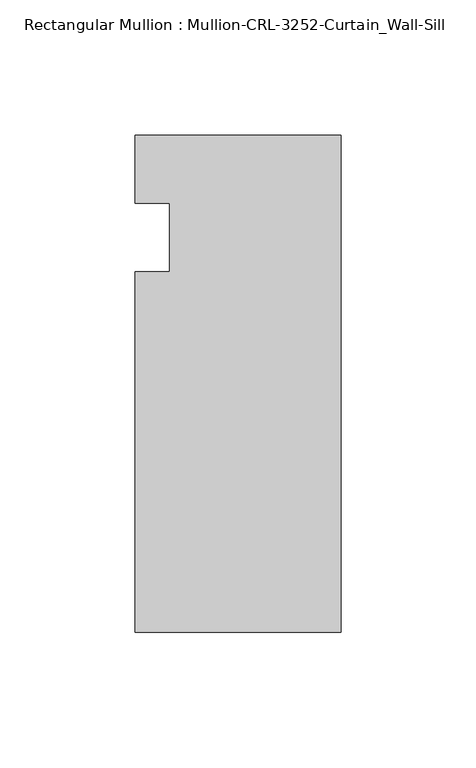
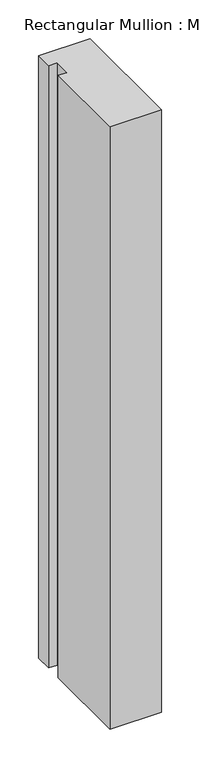
"""IFC4 building model written with IfcOpenShell, lengths in millimetres: member geometry, Rectangular Mullion : Mullion-CRL-3252-Curtain_Wall-Sill."""

from ifc_helpers import new_model, si_unit, frame, origin, place, context, project, spatial, polyline, outline, extrude, source, transform, mapped, element, save


def rectangular_mullion_mullion_crl_3252_curtain_wall_sill_e0222154(model_context):
    return source(origin(), model_context, "Body", "SweptSolid", [
        extrude(outline(polyline([(0.0, 37.8710195), (0.0, -146.0054758), (-76.2018563, -146.0054758), (-76.2018563, -12.7), (-63.4961173, -12.7), (-63.4961173, 12.7), (-76.2018563, 12.7), (-76.2018563, 37.8710195), (0.0, 37.8710195)])), frame((0.0, 0.0, -946.3424921), z_axis=(0.0, 0.0, 1.0), x_axis=(1.0, 0.0, 0.0)), (0.0, 0.0, 1.0), 946.3424921),
    ])


if __name__ == "__main__":
    model = new_model("IFC4")
    model_context = context("Model", 3, world=origin())
    ifc_project = project(units=[si_unit("LENGTHUNIT", "METRE", prefix="MILLI")], contexts=[model_context])
    site = spatial("IfcSite", under=ifc_project)
    building = spatial("IfcBuilding", under=site)
    placement = place(None, origin())
    rectangular_mullion_mullion_crl_3252_curtain_wall_sill_shape = rectangular_mullion_mullion_crl_3252_curtain_wall_sill_e0222154(model_context)
    element("IfcMember", 1, ObjectType="Rectangular Mullion : Mullion-CRL-3252-Curtain_Wall-Sill", at=placement, inside=building, context=model_context, shape_type="MappedRepresentation", body=[
        mapped(rectangular_mullion_mullion_crl_3252_curtain_wall_sill_shape, transform((0.0, 0.0, 0.0), x_axis=(1.0, 0.0, 0.0), y_axis=(0.0, 1.0, 0.0), z_axis=(0.0, 0.0, 1.0))),
    ])
    save(model, "model.ifc")
